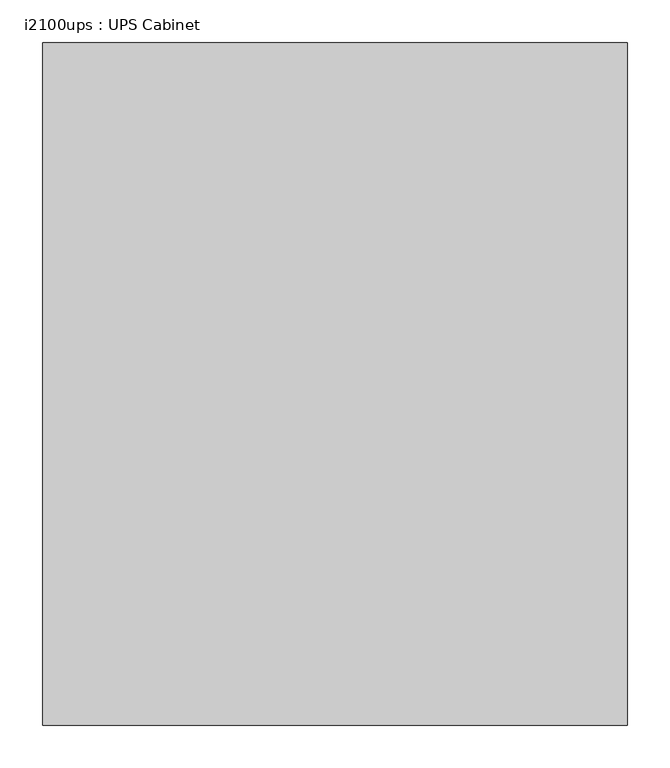
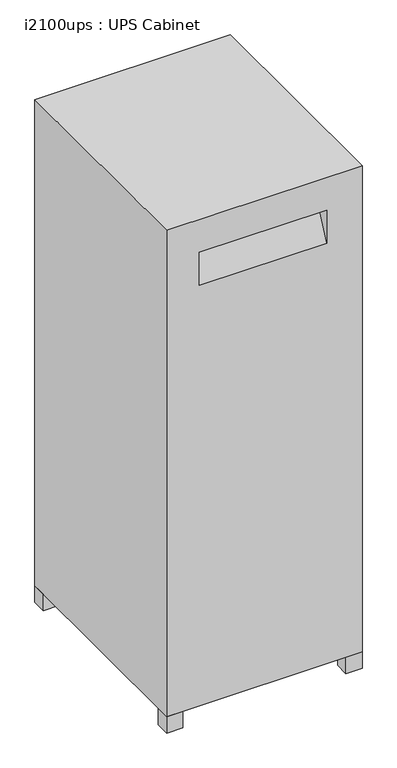
"""IFC4 building model written with IfcOpenShell, lengths in millimetres: proxy geometry, i2100ups : UPS Cabinet."""

from ifc_helpers import new_model, si_unit, origin, origin_with_axes, place, context, project, spatial, polyline, outline, extrude, faceted_brep, source, transform, mapped, element, save


def i2100ups_ups_cabinet_9ec000d2(model_context):
    return source(origin(), model_context, "Body", "SolidModel", [
        faceted_brep([(356.2803622, 274.1829439, 1864.36), (-329.5196378, 274.1829439, 1864.36), (-329.5196378, -525.9170561, 1864.36), (356.2803622, -525.9170561, 1864.36), (356.2803622, 274.1829439, 60.96), (356.2803622, -525.9170561, 60.96), (-329.5196378, -525.9170561, 60.96), (-329.5196378, 274.1829439, 60.96), (-214.5857155, -525.9170561, 1620.2835114), (-214.5857155, -525.9170561, 1743.0512334), (232.1159507, -525.9170561, 1743.0512334), (232.1159507, -525.9170561, 1620.2835114), (-214.5857155, -468.6695272, 1743.0512334), (232.1159507, -468.6695272, 1743.0512334)], [[[0, 1, 2, 3]], [[4, 5, 6, 7]], [[1, 0, 4, 7]], [[2, 1, 7, 6]], [[3, 2, 6, 5], [8, 9, 10, 11]], [[0, 3, 5, 4]], [[12, 9, 8]], [[13, 11, 10]], [[12, 8, 11, 13]], [[9, 12, 13, 10]]]),
        extrude(outline(polyline([(299.8451016, -475.1170561), (356.2803622, -475.1170561), (356.2803622, -525.9170561), (299.8451016, -525.9170561), (299.8451016, -475.1170561)])), origin_with_axes(), (0.0, 0.0, 1.0), 60.96),
        extrude(outline(polyline([(-329.5196378, -475.1170561), (-273.0843773, -475.1170561), (-273.0843773, -525.9170561), (-329.5196378, -525.9170561), (-329.5196378, -475.1170561)])), origin_with_axes(), (0.0, 0.0, 1.0), 60.96),
        extrude(outline(polyline([(356.2803622, 223.3829439), (299.8451016, 223.3829439), (299.8451016, 274.1829439), (356.2803622, 274.1829439), (356.2803622, 223.3829439)])), origin_with_axes(), (0.0, 0.0, 1.0), 60.96),
        extrude(outline(polyline([(-273.0843773, 223.3829439), (-329.5196378, 223.3829439), (-329.5196378, 274.1829439), (-273.0843773, 274.1829439), (-273.0843773, 223.3829439)])), origin_with_axes(), (0.0, 0.0, 1.0), 60.96),
    ])


if __name__ == "__main__":
    model = new_model("IFC4")
    model_context = context("Model", 3, world=origin())
    ifc_project = project(units=[si_unit("LENGTHUNIT", "METRE", prefix="MILLI")], contexts=[model_context])
    site = spatial("IfcSite", under=ifc_project)
    building = spatial("IfcBuilding", under=site)
    placement = place(None, origin())
    i2100ups_ups_cabinet_shape = i2100ups_ups_cabinet_9ec000d2(model_context)
    element("IfcBuildingElementProxy", 1, Name="i2100ups : UPS Cabinet", ObjectType="i2100ups : UPS Cabinet", at=placement, inside=building, context=model_context, shape_type="MappedRepresentation", body=[
        mapped(i2100ups_ups_cabinet_shape, transform((0.0, 0.0, 0.0), x_axis=(1.0, 0.0, 0.0), y_axis=(0.0, 1.0, 0.0), z_axis=(0.0, 0.0, 1.0))),
    ])
    save(model, "model.ifc")
